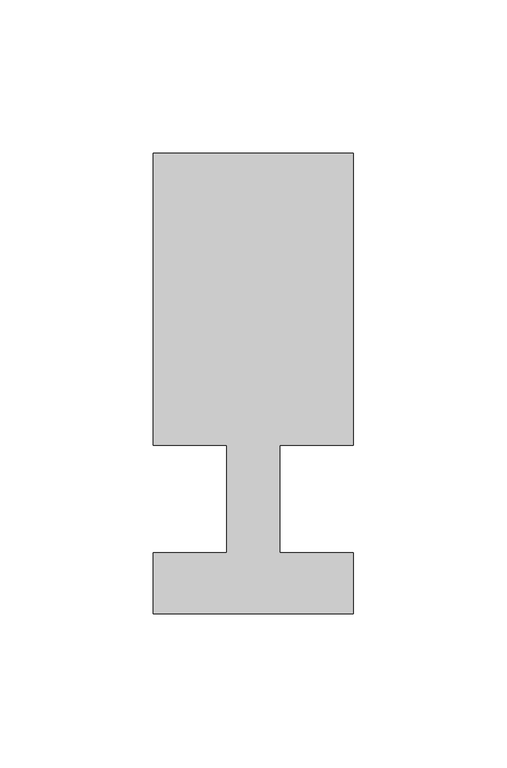
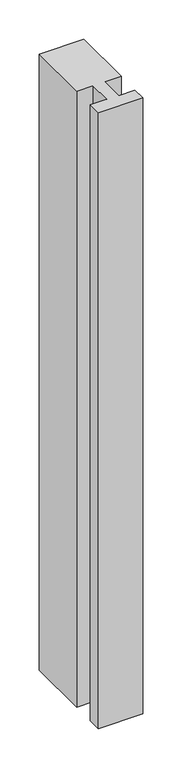
"""IFC4 building model written with IfcOpenShell, lengths in millimetres: member geometry."""

from ifc_helpers import new_model, si_unit, frame, origin, place, context, project, spatial, polyline, outline, extrude, source, transform, mapped, element, save


def member_6e700467(model_context):
    return source(origin(), model_context, "Body", "SweptSolid", [
        extrude(outline(polyline([(-65.0, -37.0), (-65.0, -17.0), (-41.1875, -17.0), (-41.1875, 18.0), (-65.0, 18.0), (-65.0, 113.0), (0.0, 113.0), (0.0, 18.0), (-23.8125, 18.0), (-23.8125, -17.0), (0.0, -17.0), (0.0, -37.0), (-65.0, -37.0)])), frame((0.0, 0.0, -955.8333333), z_axis=(0.0, 0.0, 1.0), x_axis=(1.0, 0.0, 0.0)), (0.0, 0.0, 1.0), 955.8333333),
    ])


if __name__ == "__main__":
    model = new_model("IFC4")
    model_context = context("Model", 3, world=origin())
    ifc_project = project(units=[si_unit("LENGTHUNIT", "METRE", prefix="MILLI")], contexts=[model_context])
    site = spatial("IfcSite", under=ifc_project)
    building = spatial("IfcBuilding", under=site)
    placement = place(None, origin())
    member_shape = member_6e700467(model_context)
    element("IfcMember", 1, at=placement, inside=building, context=model_context, shape_type="MappedRepresentation", body=[
        mapped(member_shape, transform((0.0, 0.0, 0.0), x_axis=(1.0, 0.0, 0.0), y_axis=(0.0, 1.0, 0.0), z_axis=(0.0, 0.0, 1.0))),
    ])
    save(model, "model.ifc")
